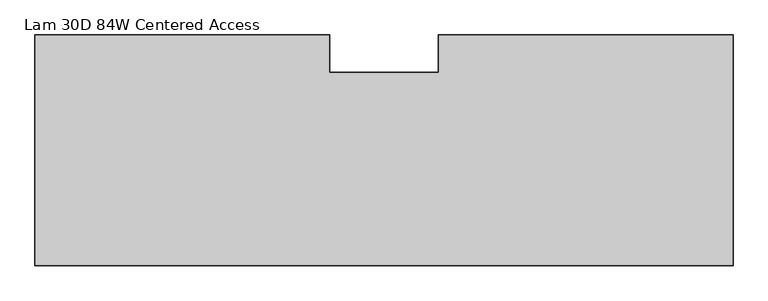
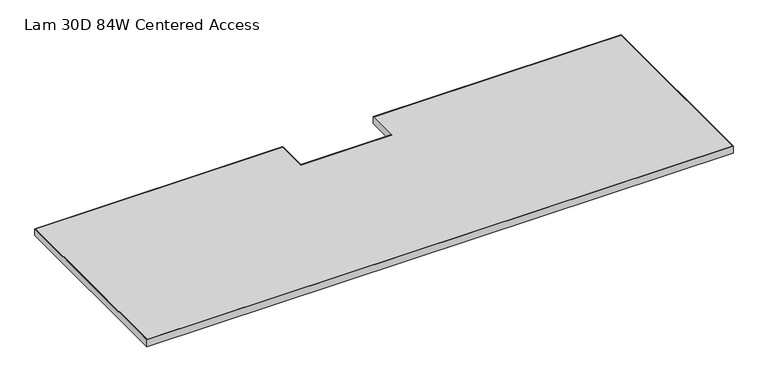
"""IFC4 building model written with IfcOpenShell, lengths in millimetres: furniture geometry, Lam 30D 84W Centered Access."""

from ifc_helpers import new_model, si_unit, frame, origin, place, context, project, spatial, polyline, outline, extrude, source, transform, mapped, element, save


def lam_30d_84w_centered_access_8f04ff85(model_context):
    return source(origin(), model_context, "Body", "SweptSolid", [
        extrude(outline(polyline([(2130.5520029, -54.1019984), (2130.5520029, -758.8250121), (0.0, -758.8250121), (0.0, -54.1019984), (900.4299952, -54.1019984), (900.4299952, -168.1480031), (1230.1220078, -168.1480031), (1230.1220078, -54.1019984), (2130.5520029, -54.1019984)]), holes=[polyline([(1.6002, -55.7021984), (1.6002, -757.2248121), (2128.9518029, -757.2248121), (2128.9518029, -55.7021984), (1231.7222078, -55.7021984), (1231.7222078, -169.7482031), (898.8297952, -169.7482031), (898.8297952, -55.7021984), (1.6002, -55.7021984)])]), frame((0.0, 0.0, 697.23), z_axis=(0.0, 0.0, 1.0), x_axis=(1.0, 0.0, 0.0)), (0.0, 0.0, 1.0), 26.67),
        extrude(outline(polyline([(1.6002, -757.2248121), (1.6002, -55.7021984), (898.8297952, -55.7021984), (898.8297952, -169.7482031), (1231.7222078, -169.7482031), (1231.7222078, -55.7021984), (2128.9518029, -55.7021984), (2128.9518029, -757.2248121), (1.6002, -757.2248121)])), frame((0.0, 0.0, 697.23), z_axis=(0.0, 0.0, 1.0), x_axis=(1.0, 0.0, 0.0)), (0.0, 0.0, 1.0), 26.67),
    ])


if __name__ == "__main__":
    model = new_model("IFC4")
    model_context = context("Model", 3, world=origin())
    ifc_project = project(units=[si_unit("LENGTHUNIT", "METRE", prefix="MILLI")], contexts=[model_context])
    site = spatial("IfcSite", under=ifc_project)
    building = spatial("IfcBuilding", under=site)
    placement = place(None, origin())
    lam_30d_84w_centered_access_shape = lam_30d_84w_centered_access_8f04ff85(model_context)
    element("IfcFurniture", 1, ObjectType="Lam 30D 84W Centered Access", at=placement, inside=building, context=model_context, shape_type="MappedRepresentation", body=[
        mapped(lam_30d_84w_centered_access_shape, transform((0.0, 0.0, 0.0), x_axis=(1.0, 0.0, 0.0), y_axis=(0.0, 1.0, 0.0), z_axis=(0.0, 0.0, 1.0))),
    ])
    save(model, "model.ifc")
